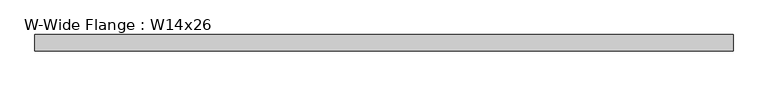
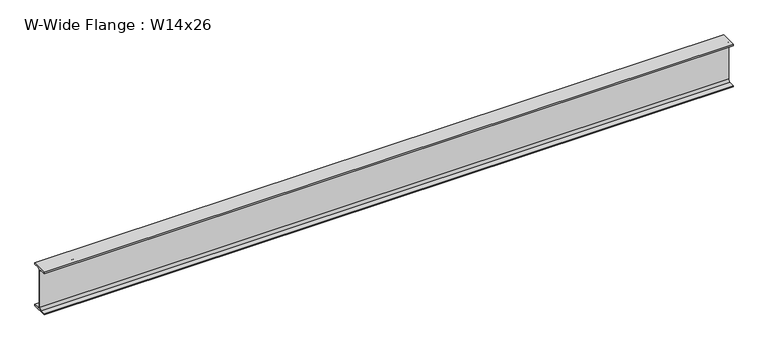
"""IFC4 building model written with IfcOpenShell, lengths in millimetres: beam geometry, W-Wide Flange : W14x26."""

import ifcopenshell
import ifcopenshell.guid

model = None  # the IFC model being written
_history = None  # IfcOwnerHistory: only IFC2X3 demands one
_inside = {}  # id of a spatial element -> (the spatial element, [elements in it])
_under = {}  # id of a project, library or spatial element -> (it, [spatial elements below it])
_declared = {}  # id of a project -> (the project, [libraries it declares])
_typed = {}  # id of a type object -> (the type object, [elements of that type])
_made_of = {}  # id of a material, layer set ... -> (it, [elements and type objects made of it])


def new_model(schema):
    """Start an empty IFC model of exactly this schema.

    Asked for "IFC4X3", IfcOpenShell would pick the latest addendum, in which some entities
    have other attributes; the version numbers below select the first issue.
    IFC2X3 requires an IfcOwnerHistory on every rooted entity: one is made here for all.
    """
    global model, _history
    if schema == "IFC4X3":
        model = ifcopenshell.file(schema_version=(4, 3, 0, 0))
    else:
        model = ifcopenshell.file(schema=schema)
    _inside.clear()
    _under.clear()
    _declared.clear()
    _typed.clear()
    _made_of.clear()
    _history = None
    if model.schema == "IFC2X3":
        org = make("IfcOrganization", Name="unknown")
        user = make(
            "IfcPersonAndOrganization",
            ThePerson=make("IfcPerson", FamilyName="unknown"),
            TheOrganization=org,
        )
        app = make(
            "IfcApplication",
            ApplicationDeveloper=org,
            Version="unknown",
            ApplicationFullName="unknown",
            ApplicationIdentifier="unknown",
        )
        _history = make(
            "IfcOwnerHistory",
            OwningUser=user,
            OwningApplication=app,
            ChangeAction="ADDED",
            CreationDate=0,
        )
    return model


def make(cls, **values):
    """One entity of the class cls with the attributes given. An attribute that is None is left unset."""
    return model.create_entity(
        cls, **{name: value for name, value in values.items() if value is not None}
    )


def rooted(cls, **values):
    """An entity with a GlobalId (a new one), such as an element, a storey or a relation."""
    return make(cls, GlobalId=ifcopenshell.guid.new(), OwnerHistory=_history, **values)


def si_unit(unit_type, name, prefix=None):
    """IfcSIUnit, for example si_unit("LENGTHUNIT", "METRE", prefix="MILLI")."""
    return make("IfcSIUnit", UnitType=unit_type, Prefix=prefix, Name=name)


def assignment(units):
    """IfcUnitAssignment: the units of a project."""
    return None if units is None else make("IfcUnitAssignment", Units=units)


def point(xyz):
    """IfcCartesianPoint."""
    return None if xyz is None else make("IfcCartesianPoint", Coordinates=xyz)


def direction(xyz):
    """IfcDirection."""
    return None if xyz is None else make("IfcDirection", DirectionRatios=xyz)


def frame(location, z_axis=None, x_axis=None):
    """IfcAxis2Placement3D, a coordinate frame: its origin and axes. An axis left out is left unset."""
    return make(
        "IfcAxis2Placement3D",
        Location=point(location),
        Axis=direction(z_axis),
        RefDirection=direction(x_axis),
    )


def frame_2d(location, x_axis=None):
    """IfcAxis2Placement2D, a coordinate frame in the plane: its origin and x axis."""
    return make(
        "IfcAxis2Placement2D", Location=point(location), RefDirection=direction(x_axis)
    )


def origin():
    """The frame at (0, 0, 0) with its axes left unset."""
    return frame((0.0, 0.0, 0.0))


def place(relative_to, where):
    """IfcLocalPlacement: puts the frame where relative to a parent placement (None: the world)."""
    return make(
        "IfcLocalPlacement", PlacementRelTo=relative_to, RelativePlacement=where
    )


def context(
    kind, dimensions, precision=None, world=None, true_north=None, identifier=None
):
    """IfcGeometricRepresentationContext, for example the 3D "Model" context."""
    return make(
        "IfcGeometricRepresentationContext",
        ContextIdentifier=identifier,
        ContextType=kind,
        CoordinateSpaceDimension=dimensions,
        Precision=precision,
        WorldCoordinateSystem=world,
        TrueNorth=true_north,
    )


def project(units=None, contexts=None):
    """IfcProject with its units and contexts."""
    return rooted(
        "IfcProject",
        Name="project",
        RepresentationContexts=contexts,
        UnitsInContext=assignment(units),
    )


def spatial(cls, under=None, at=None, **own):
    """A site, building, storey or space (cls), placed at a placement, below another one or the project."""
    s = rooted(cls, ObjectPlacement=at, **own)
    if under is not None:
        _under.setdefault(under.id(), (under, []))[1].append(s)
    return s


def polyline(points):
    """IfcPolyline through the points."""
    return make("IfcPolyline", Points=[point(p) for p in points])


def circle_curve(where, radius):
    """IfcCircle in the frame where."""
    return make("IfcCircle", Position=where, Radius=radius)


def trimmed(basis, trim1, trim2, sense, master):
    """IfcTrimmedCurve: the piece of a basis curve between two trims."""
    return make(
        "IfcTrimmedCurve",
        BasisCurve=basis,
        Trim1=trim1,
        Trim2=trim2,
        SenseAgreement=sense,
        MasterRepresentation=master,
    )


def segment(curve, same_sense, transition):
    """IfcCompositeCurveSegment."""
    return make(
        "IfcCompositeCurveSegment",
        Transition=transition,
        SameSense=same_sense,
        ParentCurve=curve,
    )


def composite_curve(segments, self_intersect=None):
    """IfcCompositeCurve: segments joined end to end."""
    return make("IfcCompositeCurve", Segments=segments, SelfIntersect=self_intersect)


def outline(outer, holes=None, kind="AREA"):
    """IfcArbitraryClosedProfileDef: a profile drawn as a closed curve; with holes, ...WithVoids."""
    if holes is None:
        return make("IfcArbitraryClosedProfileDef", ProfileType=kind, OuterCurve=outer)
    return make(
        "IfcArbitraryProfileDefWithVoids",
        ProfileType=kind,
        OuterCurve=outer,
        InnerCurves=holes,
    )


def extrude(swept, where, along, depth):
    """IfcExtrudedAreaSolid: the profile swept, set in the frame where, extruded along a direction by depth."""
    return make(
        "IfcExtrudedAreaSolid",
        SweptArea=swept,
        Position=where,
        ExtrudedDirection=direction(along),
        Depth=depth,
    )


def shape(context_of_items, identifier, shape_type, items):
    """IfcShapeRepresentation: the items that make up one representation, for example the "Body"."""
    return make(
        "IfcShapeRepresentation",
        ContextOfItems=context_of_items,
        RepresentationIdentifier=identifier,
        RepresentationType=shape_type,
        Items=items,
    )


def source(mapping_origin, context_of_items, identifier, shape_type, items):
    """IfcRepresentationMap: a shape defined once, which mapped items show again and again."""
    return make(
        "IfcRepresentationMap",
        MappingOrigin=mapping_origin,
        MappedRepresentation=shape(context_of_items, identifier, shape_type, items),
    )


def transform(
    local_origin,
    x_axis=None,
    y_axis=None,
    z_axis=None,
    scale=None,
    scale2=None,
    scale3=None,
    uniform=True,
):
    """IfcCartesianTransformationOperator3D, or its non-uniform kind. x_axis, y_axis, z_axis: its Axis1, 2, 3."""
    if uniform:
        return make(
            "IfcCartesianTransformationOperator3D",
            Axis1=direction(x_axis),
            Axis2=direction(y_axis),
            LocalOrigin=point(local_origin),
            Scale=scale,
            Axis3=direction(z_axis),
        )
    return make(
        "IfcCartesianTransformationOperator3DnonUniform",
        Axis1=direction(x_axis),
        Axis2=direction(y_axis),
        LocalOrigin=point(local_origin),
        Scale=scale,
        Axis3=direction(z_axis),
        Scale2=scale2,
        Scale3=scale3,
    )


def mapped(mapping_source, mapping_target):
    """IfcMappedItem: shows the shape of a source again, moved by a transform."""
    return make(
        "IfcMappedItem", MappingSource=mapping_source, MappingTarget=mapping_target
    )


def made_of(thing, what):
    """Note that an element or type object is made of a material, layer set ...; save() writes the relation."""
    if what is not None:
        _made_of.setdefault(what.id(), (what, []))[1].append(thing)
    return thing


def element(
    cls,
    number,
    at=None,
    inside=None,
    cuts=None,
    type_object=None,
    material=None,
    context=None,
    identifier="Body",
    shape_type=None,
    held_by="IfcProductDefinitionShape",
    body=None,
    shapes=None,
    **own,
):
    """One element of the class cls, such as IfcWall. Its Tag is "e" and its number.

    at: its placement. inside: the storey or other place that contains it. cuts: it is an
    opening in that element (IfcRelVoidsElement). A single representation is given by context,
    identifier, shape_type and body (its items); several are given by shapes. held_by: the class
    of the entity that holds the representations. save() writes the other relations.
    """
    e = rooted(cls, Tag="e%d" % number, ObjectPlacement=at, **own)
    if body is not None:
        shapes = [shape(context, identifier, shape_type, body)]
    if shapes is not None:
        e.Representation = make(held_by, Representations=shapes)
    if inside is not None:
        _inside.setdefault(inside.id(), (inside, []))[1].append(e)
    if cuts is not None:
        rooted(
            "IfcRelVoidsElement", RelatingBuildingElement=cuts, RelatedOpeningElement=e
        )
    if type_object is not None:
        _typed.setdefault(type_object.id(), (type_object, []))[1].append(e)
    return made_of(e, material)


def aggregate(whole, parts):
    """IfcRelAggregates: a whole, such as a stair, and the parts it consists of."""
    return rooted("IfcRelAggregates", RelatingObject=whole, RelatedObjects=parts)


def save(model, path):
    """Write the relations noted so far, then the file.

    IfcRelAggregates (storeys below a building ...), IfcRelContainedInSpatialStructure (elements
    in a storey), IfcRelDefinesByType, IfcRelAssociatesMaterial and IfcRelDeclares: one each for
    every whole, place, type object, material and project.
    """
    for whole, parts in _under.values():
        aggregate(whole, parts)
    for where, things in _inside.values():
        rooted(
            "IfcRelContainedInSpatialStructure",
            RelatedElements=things,
            RelatingStructure=where,
        )
    for kind, things in _typed.values():
        rooted("IfcRelDefinesByType", RelatedObjects=things, RelatingType=kind)
    for what, things in _made_of.values():
        rooted("IfcRelAssociatesMaterial", RelatedObjects=things, RelatingMaterial=what)
    for by, libraries in _declared.values():
        rooted("IfcRelDeclares", RelatingContext=by, RelatedDefinitions=libraries)
    model.write(path)


def w_wide_flange_w14x26_ca5f02b6(model_context):
    return source(origin(), model_context, "Body", "SweptSolid", [
        extrude(outline(composite_curve([segment(polyline([(63.881, -165.862), (63.881, -176.53), (-63.881, -176.53), (-63.881, -165.862), (-21.1455, -165.862)]), True, "CONTINUOUS"), segment(trimmed(circle_curve(frame_2d((-21.1455, -147.955)), 17.907), [point((-21.1455, -165.862))], [point((-3.2385, -147.955))], True, "CARTESIAN"), True, "CONTINUOUS"), segment(polyline([(-3.2385, -147.955), (-3.2385, 147.955)]), True, "CONTINUOUS"), segment(trimmed(circle_curve(frame_2d((-21.1455, 147.955)), 17.907), [point((-3.2385, 147.955))], [point((-21.1455, 165.862))], True, "CARTESIAN"), True, "CONTINUOUS"), segment(polyline([(-21.1455, 165.862), (-63.881, 165.862), (-63.881, 176.53), (63.881, 176.53), (63.881, 165.862), (21.1455, 165.862)]), True, "CONTINUOUS"), segment(trimmed(circle_curve(frame_2d((21.1455, 147.955)), 17.907), [point((21.1455, 165.862))], [point((3.2385, 147.955))], True, "CARTESIAN"), True, "CONTINUOUS"), segment(polyline([(3.2385, 147.955), (3.2385, -147.955)]), True, "CONTINUOUS"), segment(trimmed(circle_curve(frame_2d((21.1455, -147.955)), 17.907), [point((3.2385, -147.955))], [point((21.1455, -165.862))], True, "CARTESIAN"), True, "CONTINUOUS"), segment(polyline([(21.1455, -165.862), (63.881, -165.862)]), True, "CONTINUOUS")], self_intersect=False)), frame((-2694.5415651, 0.0, 0.0), z_axis=(1.0, 0.0, 0.0), x_axis=(0.0, 1.0, 0.0)), (0.0, 0.0, 1.0), 5396.4170356),
    ])


if __name__ == "__main__":
    model = new_model("IFC4")
    model_context = context("Model", 3, world=origin())
    ifc_project = project(units=[si_unit("LENGTHUNIT", "METRE", prefix="MILLI")], contexts=[model_context])
    site = spatial("IfcSite", under=ifc_project)
    building = spatial("IfcBuilding", under=site)
    placement = place(None, origin())
    w_wide_flange_w14x26_shape = w_wide_flange_w14x26_ca5f02b6(model_context)
    element("IfcBeam", 1, ObjectType="W-Wide Flange : W14x26", at=placement, inside=building, context=model_context, shape_type="MappedRepresentation", body=[
        mapped(w_wide_flange_w14x26_shape, transform((0.0, 0.0, 0.0), x_axis=(1.0, 0.0, 0.0), y_axis=(0.0, 1.0, 0.0), z_axis=(0.0, 0.0, 1.0))),
    ])
    save(model, "model.ifc")
